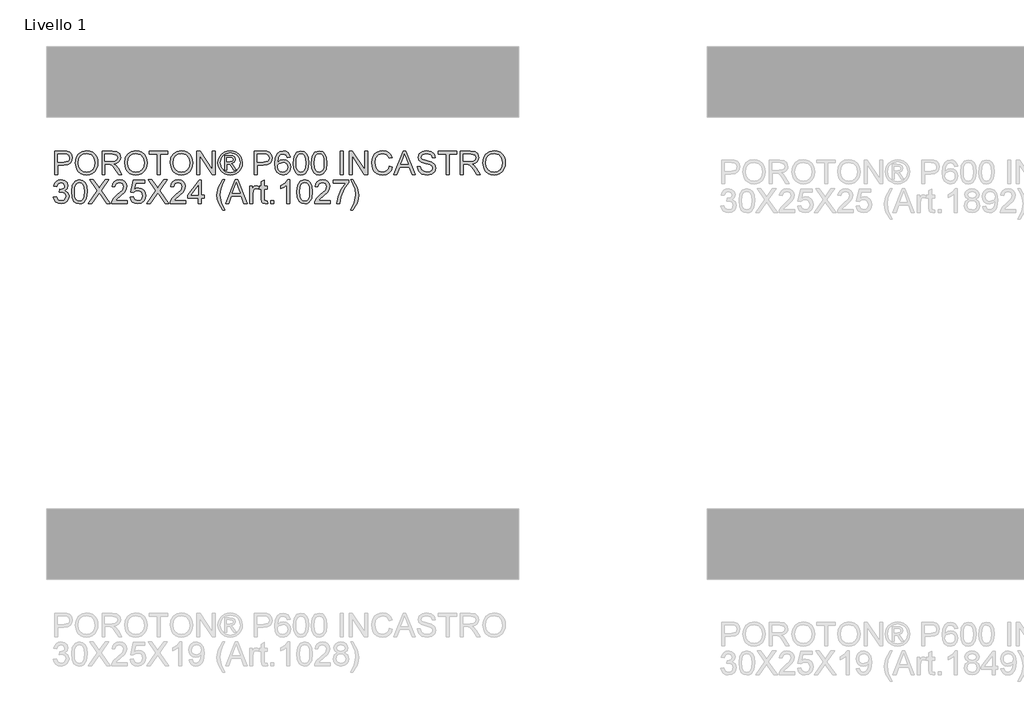
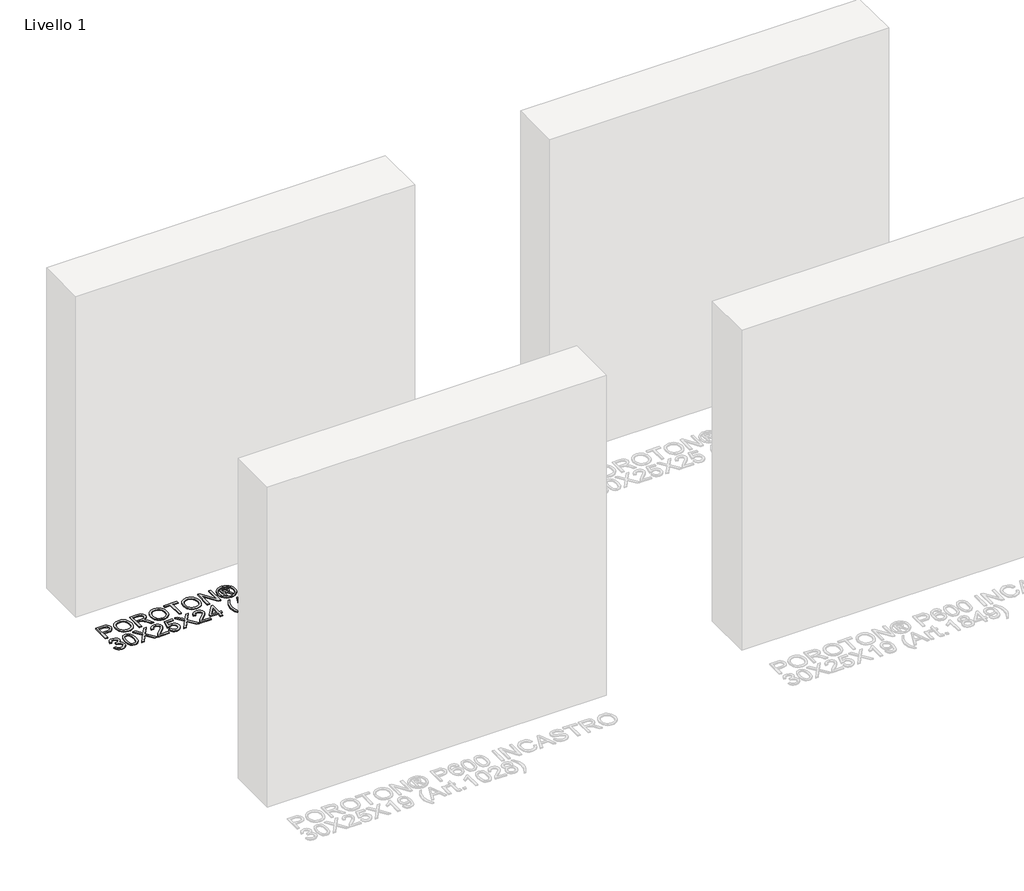
# One storey, part 6 of 11: 1 proxy.
"""IFC4 building model written with IfcOpenShell, lengths in millimetres."""

from ifc_helpers import new_model, si_unit, origin, origin_with_axes, place, context, project, spatial, polyline, outline, extrude, element, save

model = new_model("IFC4")

# Units and contexts
model_context = context("Model", 3, world=origin())
ifc_project = project(units=[si_unit("LENGTHUNIT", "METRE", prefix="MILLI")], contexts=[model_context])

# Site, building, storey
site = spatial("IfcSite", under=ifc_project)
building = spatial("IfcBuilding", under=site)
storey = spatial("IfcBuildingStorey", under=building, Name="Livello 1", Elevation=0.0)

# Proxy
placement = place(None, origin())
element("IfcBuildingElementProxy", 1, Name="100", ObjectType="100", at=placement, inside=storey, context=model_context, shape_type="SweptSolid", body=[
    extrude(outline(polyline([(-5050.2668329, 4441.1410953), (-5050.2668329, 4541.5974055), (-5013.0371749, 4541.5974055), (-4998.0275895, 4540.6409123), (-4985.82617, 4535.9442855), (-4977.9167071, 4526.2322008), (-4974.9246002, 4512.5347278), (-4976.9448855, 4500.695059), (-4983.0057414, 4490.8296901), (-4994.3395725, 4484.171026), (-5012.1787836, 4481.9514713), (-5037.7097941, 4481.9514713), (-5037.7097941, 4441.1410953), (-5050.2668329, 4441.1410953)]), holes=[polyline([(-5037.7097941, 4494.5085101), (-5011.4430196, 4494.5085101), (-4992.950818, 4499.1192977), (-4988.8489338, 4504.6681845), (-4987.481639, 4512.0932694), (-4990.7067378, 4522.4920672), (-4999.1802865, 4528.1819754), (-5011.7373252, 4529.0403667), (-5037.7097941, 4529.0403667), (-5037.7097941, 4494.5085101)])]), origin_with_axes(), (0.0, 0.0, 1.0), 5.0),
    extrude(outline(polyline([(-4962.3675615, 4490.0448752), (-4959.0198353, 4512.2588163), (-4948.9766568, 4529.0648922), (-4933.642109, 4539.6414995), (-4914.4202748, 4543.1670353), (-4901.243968, 4541.5115663), (-4889.4288246, 4536.5451594), (-4879.618638, 4528.6173024), (-4872.4572019, 4518.0774832), (-4868.0794061, 4505.4346053), (-4866.6201409, 4491.1975721), (-4868.1560482, 4476.7704665), (-4872.7637702, 4463.949779), (-4880.1888551, 4453.3915657), (-4890.1768513, 4445.751883), (-4901.8908271, 4441.1165698), (-4914.4938512, 4439.5714655), (-4927.8724931, 4441.2790511), (-4939.7550815, 4446.4018078), (-4949.5407426, 4454.4768176), (-4956.6286023, 4465.0411623), (-4962.3675615, 4490.0448752)]), holes=[polyline([(-4949.8105227, 4489.9222479), (-4947.2997281, 4474.2075553), (-4939.7673442, 4462.2329964), (-4928.4457758, 4454.6546273), (-4914.5674276, 4452.1285042), (-4900.4867442, 4454.6791527), (-4889.1467817, 4462.3310982), (-4881.6695801, 4474.6735392), (-4879.1771796, 4491.295674), (-4883.4446108, 4512.019693), (-4895.9158104, 4525.7416915), (-4914.3466984, 4530.6099965), (-4927.854099, 4528.2647488), (-4939.3381486, 4521.2290057), (-4947.1924292, 4508.7118208), (-4949.8105227, 4489.9222479)])]), origin_with_axes(), (0.0, 0.0, 1.0), 5.0),
    extrude(outline(polyline([(-4849.3542126, 4441.1410953), (-4849.3542126, 4541.5974055), (-4806.0667645, 4541.5974055), (-4785.9681448, 4538.8873414), (-4774.9807359, 4529.2978841), (-4770.8727202, 4514.1043577), (-4772.5741745, 4504.208332), (-4777.6785372, 4496.0045635), (-4786.3390925, 4489.9896929), (-4798.7091246, 4486.6603608), (-4791.5722138, 4481.2892837), (-4781.3941453, 4468.3643629), (-4764.6432518, 4441.1410953), (-4779.2359043, 4441.1410953), (-4792.3079778, 4461.9632162), (-4801.7502824, 4475.7465283), (-4808.384421, 4482.2580396), (-4814.3563721, 4484.6492726), (-4821.6404356, 4485.090731), (-4836.7971738, 4485.090731), (-4836.7971738, 4441.1410953), (-4849.3542126, 4441.1410953)]), holes=[polyline([(-4836.7971738, 4497.6477698), (-4808.6909894, 4497.6477698), (-4794.3558543, 4499.4258661), (-4786.2133994, 4505.1157743), (-4783.429759, 4513.6383738), (-4788.7395225, 4524.6993591), (-4805.5272042, 4529.0403667), (-4836.7971738, 4529.0403667), (-4836.7971738, 4497.6477698)])]), origin_with_axes(), (0.0, 0.0, 1.0), 5.0),
    extrude(outline(polyline([(-4753.6067919, 4490.0448752), (-4750.2590658, 4512.2588163), (-4740.2158873, 4529.0648922), (-4724.8813395, 4539.6414995), (-4705.6595052, 4543.1670353), (-4692.4831984, 4541.5115663), (-4680.668055, 4536.5451594), (-4670.8578685, 4528.6173024), (-4663.6964323, 4518.0774832), (-4659.3186366, 4505.4346053), (-4657.8593713, 4491.1975721), (-4659.3952787, 4476.7704665), (-4664.0030007, 4463.949779), (-4671.4280856, 4453.3915657), (-4681.4160818, 4445.751883), (-4693.1300576, 4441.1165698), (-4705.7330816, 4439.5714655), (-4719.1117235, 4441.2790511), (-4730.994312, 4446.4018078), (-4740.779973, 4454.4768176), (-4747.8678328, 4465.0411623), (-4753.6067919, 4490.0448752)]), holes=[polyline([(-4741.0497532, 4489.9222479), (-4738.5389586, 4474.2075553), (-4731.0065747, 4462.2329964), (-4719.6850063, 4454.6546273), (-4705.806658, 4452.1285042), (-4691.7259747, 4454.6791527), (-4680.3860122, 4462.3310982), (-4672.9088106, 4474.6735392), (-4670.4164101, 4491.295674), (-4674.6838412, 4512.019693), (-4687.1550409, 4525.7416915), (-4705.5859288, 4530.6099965), (-4719.0933294, 4528.2647488), (-4730.577379, 4521.2290057), (-4738.4316596, 4508.7118208), (-4741.0497532, 4489.9222479)])]), origin_with_axes(), (0.0, 0.0, 1.0), 5.0),
    extrude(outline(polyline([(-4615.4793655, 4441.1410953), (-4615.4793655, 4529.0403667), (-4648.4415923, 4529.0403667), (-4648.4415923, 4541.5974055), (-4569.9601, 4541.5974055), (-4569.9601, 4529.0403667), (-4602.9223267, 4529.0403667), (-4602.9223267, 4441.1410953), (-4615.4793655, 4441.1410953)])), origin_with_axes(), (0.0, 0.0, 1.0), 5.0),
    extrude(outline(polyline([(-4560.5423209, 4490.0448752), (-4557.1945947, 4512.2588163), (-4547.1514162, 4529.0648922), (-4531.8168684, 4539.6414995), (-4512.5950342, 4543.1670353), (-4499.4187274, 4541.5115663), (-4487.603584, 4536.5451594), (-4477.7933974, 4528.6173024), (-4470.6319613, 4518.0774832), (-4466.2541655, 4505.4346053), (-4464.7949003, 4491.1975721), (-4466.3308076, 4476.7704665), (-4470.9385296, 4463.949779), (-4478.3636145, 4453.3915657), (-4488.3516107, 4445.751883), (-4500.0655865, 4441.1165698), (-4512.6686106, 4439.5714655), (-4526.0472525, 4441.2790511), (-4537.9298409, 4446.4018078), (-4547.715502, 4454.4768176), (-4554.8033617, 4465.0411623), (-4560.5423209, 4490.0448752)]), holes=[polyline([(-4547.9852821, 4489.9222479), (-4545.4744875, 4474.2075553), (-4537.9421036, 4462.2329964), (-4526.6205352, 4454.6546273), (-4512.742187, 4452.1285042), (-4498.6615036, 4454.6791527), (-4487.3215411, 4462.3310982), (-4479.8443395, 4474.6735392), (-4477.351939, 4491.295674), (-4481.6193702, 4512.019693), (-4494.0905698, 4525.7416915), (-4512.5214578, 4530.6099965), (-4526.0288584, 4528.2647488), (-4537.512908, 4521.2290057), (-4545.3671886, 4508.7118208), (-4547.9852821, 4489.9222479)])]), origin_with_axes(), (0.0, 0.0, 1.0), 5.0),
    extrude(outline(polyline([(-4447.528972, 4441.1410953), (-4447.528972, 4541.5974055), (-4434.0890164, 4541.5974055), (-4381.6045184, 4462.0122672), (-4381.6045184, 4541.5974055), (-4369.0474797, 4541.5974055), (-4369.0474797, 4441.1410953), (-4382.4874352, 4441.1410953), (-4434.9719332, 4520.7507591), (-4434.9719332, 4441.1410953), (-4447.528972, 4441.1410953)])), origin_with_axes(), (0.0, 0.0, 1.0), 5.0),
    extrude(outline(polyline([(-4306.2377603, 4543.1670353), (-4293.3434964, 4541.4931722), (-4280.7558008, 4536.471583), (-4269.6978812, 4528.3352595), (-4261.3929451, 4517.3171938), (-4256.1966119, 4504.5946081), (-4254.4645009, 4491.3447249), (-4256.1720865, 4478.2113377), (-4261.2948433, 4465.5929853), (-4269.4986118, 4454.6147734), (-4280.4492325, 4446.4018078), (-4293.0583879, 4441.2790511), (-4306.2377603, 4439.5714655), (-4319.3987387, 4441.2790511), (-4332.0017627, 4446.4018078), (-4342.9615805, 4454.6147734), (-4351.1929402, 4465.5929853), (-4356.3432881, 4478.2113377), (-4358.0600707, 4491.3447249), (-4356.3187626, 4504.5946081), (-4351.0948383, 4517.3171938), (-4342.7623111, 4528.3352595), (-4331.6951944, 4536.471583), (-4319.1136302, 4541.4931722), (-4306.2377603, 4543.1670353)]), holes=[polyline([(-4306.2377603, 4533.7492562), (-4327.0598813, 4528.2678145), (-4336.0883186, 4521.6060847), (-4342.9155953, 4512.5837788), (-4348.6422917, 4491.3447249), (-4343.0259599, 4470.2896121), (-4327.3051359, 4454.6055763), (-4306.2377603, 4448.9892445), (-4285.158122, 4454.6055763), (-4269.4740863, 4470.2896121), (-4263.88228, 4491.3447249), (-4269.5721882, 4512.5837788), (-4276.3810707, 4521.6060847), (-4285.4279021, 4528.2678145), (-4306.2377603, 4533.7492562)])]), origin_with_axes(), (0.0, 0.0, 1.0), 5.0),
    extrude(outline(polyline([(-4329.8067335, 4459.9766535), (-4329.8067335, 4522.7618473), (-4309.5241728, 4522.7618473), (-4294.4655365, 4521.0328019), (-4287.0465829, 4514.9995372), (-4284.287468, 4505.8392755), (-4289.0454084, 4493.9198989), (-4301.6514981, 4488.2299907), (-4296.7464049, 4484.8945273), (-4288.1870171, 4472.362014), (-4281.1482083, 4459.9766535), (-4291.7432097, 4459.9766535), (-4297.2614397, 4469.9339928), (-4306.5075405, 4484.354967), (-4314.527368, 4486.6603608), (-4320.3889544, 4486.6603608), (-4320.3889544, 4459.9766535), (-4329.8067335, 4459.9766535)]), holes=[polyline([(-4320.3889544, 4496.0781399), (-4308.4695778, 4496.0781399), (-4296.8199813, 4498.4693729), (-4293.705247, 4504.8092059), (-4295.2013005, 4509.3709427), (-4299.358367, 4512.3630496), (-4309.2298672, 4513.3440682), (-4320.3889544, 4513.3440682), (-4320.3889544, 4496.0781399)])]), origin_with_axes(), (0.0, 0.0, 1.0), 5.0),
    extrude(outline(polyline([(-4204.2363458, 4441.1410953), (-4204.2363458, 4541.5974055), (-4167.0066879, 4541.5974055), (-4151.9971025, 4540.6409123), (-4139.795683, 4535.9442855), (-4131.8862201, 4526.2322008), (-4128.8941132, 4512.5347278), (-4130.9143985, 4500.695059), (-4136.9752544, 4490.8296901), (-4148.3090855, 4484.171026), (-4166.1482966, 4481.9514713), (-4191.679307, 4481.9514713), (-4191.679307, 4441.1410953), (-4204.2363458, 4441.1410953)]), holes=[polyline([(-4191.679307, 4494.5085101), (-4165.4125326, 4494.5085101), (-4146.920331, 4499.1192977), (-4142.8184467, 4504.6681845), (-4141.451152, 4512.0932694), (-4144.6762508, 4522.4920672), (-4153.1497994, 4528.1819754), (-4165.7068382, 4529.0403667), (-4191.679307, 4529.0403667), (-4191.679307, 4494.5085101)])]), origin_with_axes(), (0.0, 0.0, 1.0), 5.0),
    extrude(outline(polyline([(-4051.9822507, 4514.9136981), (-4064.5392895, 4513.3440682), (-4069.29723, 4523.8164424), (-4081.8787942, 4529.0403667), (-4093.2095597, 4525.9992089), (-4101.7812102, 4514.5826043), (-4105.3496655, 4492.2031162), (-4094.2764175, 4502.2217692), (-4080.554419, 4505.495919), (-4068.9538735, 4503.2579702), (-4059.2172633, 4496.5441238), (-4052.6137815, 4486.2863475), (-4050.4126209, 4473.416609), (-4054.5574247, 4456.089367), (-4065.9617666, 4443.8266339), (-4082.4183545, 4439.5714655), (-4096.6645847, 4442.3918941), (-4108.0106786, 4450.85318), (-4115.4326979, 4465.789189), (-4117.9067043, 4488.033787), (-4115.159852, 4513.0436313), (-4106.9192954, 4530.1440127), (-4095.6682377, 4538.7340573), (-4081.0939793, 4541.5974055), (-4070.0759135, 4539.8254405), (-4061.252877, 4534.5095457), (-4055.0724595, 4526.0666539), (-4051.9822507, 4514.9136981)]), holes=[polyline([(-4105.3496655, 4473.6128127), (-4102.4433977, 4462.7357684), (-4094.7178758, 4454.8385683), (-4083.3993731, 4452.1285042), (-4075.1128312, 4453.5325872), (-4068.5982542, 4457.744836), (-4064.3768083, 4464.3667119), (-4062.9696597, 4472.9996761), (-4064.3584142, 4481.286218), (-4068.5246778, 4487.6045913), (-4075.1496194, 4491.605308), (-4083.9144079, 4492.9388802), (-4099.1079343, 4487.6045913), (-4103.7892327, 4481.4395022), (-4105.3496655, 4473.6128127)])]), origin_with_axes(), (0.0, 0.0, 1.0), 5.0),
    extrude(outline(polyline([(-4039.425212, 4490.55991), (-4035.7341293, 4519.4631721), (-4024.7712458, 4536.1282265), (-4006.4629852, 4541.5974055), (-3991.7967563, 4538.3600439), (-3981.6677387, 4529.028104), (-3975.7816268, 4514.1656713), (-3973.5007584, 4490.55991), (-3977.1550529, 4461.7792752), (-3988.0811482, 4445.0774327), (-3996.3125078, 4440.9479573), (-4006.4629852, 4439.5714655), (-4019.5105333, 4441.9626984), (-4029.4188217, 4449.1363973), (-4036.9236144, 4466.1264141), (-4039.425212, 4490.55991)]), holes=[polyline([(-4026.8681732, 4490.5844355), (-4025.3966452, 4470.832238), (-4020.9820613, 4459.400305), (-4014.4092363, 4453.9464544), (-4006.4629852, 4452.1285042), (-3998.5167341, 4453.9525858), (-3991.9439091, 4459.4248305), (-3987.5293252, 4470.8628948), (-3986.0577972, 4490.5844355), (-3987.4802743, 4509.8921088), (-3991.7477054, 4521.4129467), (-3998.3082676, 4527.1335117), (-4006.610138, 4529.0403667), (-4014.47055, 4527.3603722), (-4020.7858576, 4522.3203889), (-4025.3475943, 4510.0821812), (-4026.8681732, 4490.5844355)])]), origin_with_axes(), (0.0, 0.0, 1.0), 5.0),
    extrude(outline(polyline([(-3962.5133495, 4490.55991), (-3958.8222668, 4519.4631721), (-3947.8593834, 4536.1282265), (-3929.5511227, 4541.5974055), (-3914.8848939, 4538.3600439), (-3904.7558763, 4529.028104), (-3898.8697643, 4514.1656713), (-3896.588896, 4490.55991), (-3900.2431905, 4461.7792752), (-3911.1692857, 4445.0774327), (-3919.4006454, 4440.9479573), (-3929.5511227, 4439.5714655), (-3942.5986708, 4441.9626984), (-3952.5069592, 4449.1363973), (-3960.0117519, 4466.1264141), (-3962.5133495, 4490.55991)]), holes=[polyline([(-3949.9563107, 4490.5844355), (-3948.4847828, 4470.832238), (-3944.0701988, 4459.400305), (-3937.4973738, 4453.9464544), (-3929.5511227, 4452.1285042), (-3921.6048717, 4453.9525858), (-3915.0320467, 4459.4248305), (-3910.6174627, 4470.8628948), (-3909.1459347, 4490.5844355), (-3910.5684118, 4509.8921088), (-3914.8358429, 4521.4129467), (-3921.3964052, 4527.1335117), (-3929.6982755, 4529.0403667), (-3937.5586875, 4527.3603722), (-3943.8739951, 4522.3203889), (-3948.4357318, 4510.0821812), (-3949.9563107, 4490.5844355)])]), origin_with_axes(), (0.0, 0.0, 1.0), 5.0),
    extrude(outline(polyline([(-3840.0822215, 4441.1410953), (-3840.0822215, 4541.5974055), (-3827.5251828, 4541.5974055), (-3827.5251828, 4441.1410953), (-3840.0822215, 4441.1410953)])), origin_with_axes(), (0.0, 0.0, 1.0), 5.0),
    extrude(outline(polyline([(-3802.4111052, 4441.1410953), (-3802.4111052, 4541.5974055), (-3788.9711497, 4541.5974055), (-3736.4866517, 4462.0122672), (-3736.4866517, 4541.5974055), (-3723.9296129, 4541.5974055), (-3723.9296129, 4441.1410953), (-3737.3695685, 4441.1410953), (-3789.8540664, 4520.7507591), (-3789.8540664, 4441.1410953), (-3802.4111052, 4441.1410953)])), origin_with_axes(), (0.0, 0.0, 1.0), 5.0),
    extrude(outline(polyline([(-3631.321452, 4476.8501743), (-3618.7644132, 4473.6128127), (-3624.5585546, 4458.9803064), (-3633.6513713, 4448.2902687), (-3645.5952734, 4441.7511663), (-3659.9426712, 4439.5714655), (-3674.5077325, 4441.2208031), (-3686.0745556, 4446.1688159), (-3694.9405117, 4454.2438257), (-3701.4029721, 4465.2741542), (-3706.6636846, 4492.1295398), (-3705.1768282, 4506.7773746), (-3700.716259, 4519.4263839), (-3693.514969, 4529.6749631), (-3683.80595, 4537.1215078), (-3672.2912435, 4541.6556534), (-3659.6728911, 4543.1670353), (-3645.9049074, 4541.2111294), (-3634.5220253, 4535.3434115), (-3625.8798641, 4525.9256325), (-3620.3340431, 4513.3195428), (-3632.8910818, 4510.3274359), (-3643.1917777, 4525.7662169), (-3660.1634004, 4530.6099965), (-3679.808299, 4525.2389194), (-3690.9060725, 4510.8179452), (-3694.1066458, 4492.1540653), (-3690.3174613, 4470.522604), (-3678.520712, 4456.7025037), (-3661.19347, 4452.1285042), (-3650.7118988, 4453.6858713), (-3641.9777671, 4458.3579727), (-3635.3834824, 4466.0957573), (-3631.321452, 4476.8501743)])), origin_with_axes(), (0.0, 0.0, 1.0), 5.0),
    extrude(outline(polyline([(-3613.1971324, 4441.1410953), (-3573.0979949, 4541.5974055), (-3562.4048916, 4541.5974055), (-3522.3057541, 4441.1410953), (-3535.5740314, 4441.1410953), (-3547.0764751, 4472.5336922), (-3588.4509368, 4472.5336922), (-3599.9288551, 4441.1410953), (-3613.1971324, 4441.1410953)]), holes=[polyline([(-3583.8401491, 4485.090731), (-3551.6627373, 4485.090731), (-3560.7126344, 4509.7878756), (-3567.7514432, 4529.0403667), (-3574.0054371, 4511.9461166), (-3583.8401491, 4485.090731)])]), origin_with_axes(), (0.0, 0.0, 1.0), 5.0),
    extrude(outline(polyline([(-3513.5992135, 4475.6729519), (-3501.0421748, 4475.6729519), (-3496.9954728, 4463.1036504), (-3487.1117099, 4455.1573993), (-3472.0530735, 4452.1285042), (-3458.931949, 4454.4216353), (-3450.4584004, 4460.7246802), (-3447.67476, 4469.1491779), (-3449.7594246, 4476.9850644), (-3458.2942869, 4482.6872353), (-3476.5780221, 4487.481964), (-3496.2597088, 4493.6746442), (-3506.9405494, 4503.0188469), (-3510.4599538, 4515.5023093), (-3506.1066836, 4529.714817), (-3493.3902293, 4539.7457327), (-3474.7754003, 4543.1670353), (-3454.9097726, 4539.5863172), (-3441.6660207, 4529.0648922), (-3436.6873511, 4513.3440682), (-3449.2443898, 4513.3440682), (-3451.5497837, 4520.8365982), (-3456.3567751, 4526.2444635), (-3474.284891, 4530.6099965), (-3492.2620578, 4526.2935145), (-3497.9029151, 4515.8701913), (-3493.9052641, 4507.1636507), (-3473.4019742, 4500.1493673), (-3451.1819017, 4493.8463225), (-3439.0295331, 4483.6682539), (-3435.1177212, 4469.4680089), (-3439.6181443, 4454.4461608), (-3452.5675905, 4443.4832773), (-3471.5625642, 4439.5714655), (-3493.9911032, 4443.7898457), (-3508.1790855, 4456.4940372), (-3513.5992135, 4475.6729519)])), origin_with_axes(), (0.0, 0.0, 1.0), 5.0),
    extrude(outline(polyline([(-3391.1680855, 4441.1410953), (-3391.1680855, 4529.0403667), (-3424.1303123, 4529.0403667), (-3424.1303123, 4541.5974055), (-3345.64882, 4541.5974055), (-3345.64882, 4529.0403667), (-3378.6110468, 4529.0403667), (-3378.6110468, 4441.1410953), (-3391.1680855, 4441.1410953)])), origin_with_axes(), (0.0, 0.0, 1.0), 5.0),
    extrude(outline(polyline([(-3331.5221514, 4441.1410953), (-3331.5221514, 4541.5974055), (-3288.2347033, 4541.5974055), (-3268.1360836, 4538.8873414), (-3257.1486747, 4529.2978841), (-3253.0406591, 4514.1043577), (-3254.7421133, 4504.208332), (-3259.846476, 4496.0045635), (-3268.5070313, 4489.9896929), (-3280.8770634, 4486.6603608), (-3273.7401527, 4481.2892837), (-3263.5620841, 4468.3643629), (-3246.8111906, 4441.1410953), (-3261.4038431, 4441.1410953), (-3274.4759167, 4461.9632162), (-3283.9182212, 4475.7465283), (-3290.5523599, 4482.2580396), (-3296.5243109, 4484.6492726), (-3303.8083744, 4485.090731), (-3318.9651126, 4485.090731), (-3318.9651126, 4441.1410953), (-3331.5221514, 4441.1410953)]), holes=[polyline([(-3318.9651126, 4497.6477698), (-3290.8589282, 4497.6477698), (-3276.5237931, 4499.4258661), (-3268.3813383, 4505.1157743), (-3265.5976979, 4513.6383738), (-3270.9074613, 4524.6993591), (-3287.695143, 4529.0403667), (-3318.9651126, 4529.0403667), (-3318.9651126, 4497.6477698)])]), origin_with_axes(), (0.0, 0.0, 1.0), 5.0),
    extrude(outline(polyline([(-3235.7747308, 4490.0448752), (-3232.4270046, 4512.2588163), (-3222.3838262, 4529.0648922), (-3207.0492783, 4539.6414995), (-3187.8274441, 4543.1670353), (-3174.6511373, 4541.5115663), (-3162.8359939, 4536.5451594), (-3153.0258073, 4528.6173024), (-3145.8643712, 4518.0774832), (-3141.4865754, 4505.4346053), (-3140.0273102, 4491.1975721), (-3141.5632175, 4476.7704665), (-3146.1709395, 4463.949779), (-3153.5960244, 4453.3915657), (-3163.5840206, 4445.751883), (-3175.2979965, 4441.1165698), (-3187.9010205, 4439.5714655), (-3201.2796624, 4441.2790511), (-3213.1622508, 4446.4018078), (-3222.9479119, 4454.4768176), (-3230.0357717, 4465.0411623), (-3235.7747308, 4490.0448752)]), holes=[polyline([(-3223.217692, 4489.9222479), (-3220.7068974, 4474.2075553), (-3213.1745135, 4462.2329964), (-3201.8529451, 4454.6546273), (-3187.9745969, 4452.1285042), (-3173.8939135, 4454.6791527), (-3162.553951, 4462.3310982), (-3155.0767495, 4474.6735392), (-3152.5843489, 4491.295674), (-3156.8517801, 4512.019693), (-3169.3229797, 4525.7416915), (-3187.7538677, 4530.6099965), (-3201.2612683, 4528.2647488), (-3212.7453179, 4521.2290057), (-3220.5995985, 4508.7118208), (-3223.217692, 4489.9222479)])]), origin_with_axes(), (0.0, 0.0, 1.0), 5.0),
    extrude(outline(polyline([(-5054.9757224, 4345.8499848), (-5042.4186836, 4347.4196147), (-5035.4902394, 4334.2003883), (-5022.5285304, 4330.1536864), (-5013.9200917, 4331.5455066), (-5007.2736903, 4335.7209672), (-5001.6083076, 4349.5042793), (-5007.2246394, 4362.4905138), (-5021.4984608, 4367.628599), (-5030.3031032, 4366.2551728), (-5028.9051517, 4378.8122116), (-5026.8940634, 4378.6650588), (-5012.6447675, 4382.2703024), (-5007.8990897, 4386.8443018), (-5006.3171972, 4393.3558132), (-5010.9034594, 4403.1782624), (-5022.7247341, 4407.0655488), (-5034.6931617, 4403.1414742), (-5040.8490538, 4391.3692504), (-5053.4060925, 4392.9388802), (-5049.7088785, 4404.2144634), (-5043.1299221, 4412.6328297), (-5034.129076, 4417.8751481), (-5023.1661925, 4419.6225876), (-5008.0217171, 4416.1767596), (-4997.4267156, 4406.7589805), (-4993.7601584, 4394.0915771), (-4997.2427746, 4382.515557), (-5007.5434705, 4374.2014239), (-4993.8582603, 4365.6175107), (-4989.0512689, 4349.2835501), (-4991.4547646, 4337.0453424), (-4998.6652517, 4326.818223), (-5009.5484274, 4319.9020415), (-5022.9699888, 4317.5966476), (-5035.1100947, 4319.5648163), (-5044.9938576, 4325.4693223), (-5051.8671195, 4334.5008253), (-5054.9757224, 4345.8499848)])), origin_with_axes(), (0.0, 0.0, 1.0), 5.0),
    extrude(outline(polyline([(-4978.0638599, 4368.5850921), (-4974.3727772, 4397.4883542), (-4963.4098938, 4414.1534086), (-4945.1016332, 4419.6225876), (-4930.4354043, 4416.3852261), (-4920.3063867, 4407.0532861), (-4914.4202748, 4392.1908535), (-4912.1394064, 4368.5850921), (-4915.7937009, 4339.8044574), (-4926.7197961, 4323.1026148), (-4934.9511558, 4318.9731394), (-4945.1016332, 4317.5966476), (-4958.1491813, 4319.9878806), (-4968.0574697, 4327.1615795), (-4975.5622624, 4344.1515963), (-4978.0638599, 4368.5850921)]), holes=[polyline([(-4965.5068212, 4368.6096176), (-4964.0352932, 4348.8574202), (-4959.6207092, 4337.4254872), (-4953.0478843, 4331.9716366), (-4945.1016332, 4330.1536864), (-4937.1553821, 4331.9777679), (-4930.5825571, 4337.4500126), (-4926.1679731, 4348.888077), (-4924.6964452, 4368.6096176), (-4926.1189222, 4387.917291), (-4930.3863534, 4399.4381288), (-4936.9469156, 4405.1586938), (-4945.248786, 4407.0655488), (-4953.1091979, 4405.3855544), (-4959.4245055, 4400.3455711), (-4963.9862423, 4388.1073634), (-4965.5068212, 4368.6096176)])]), origin_with_axes(), (0.0, 0.0, 1.0), 5.0),
    extrude(outline(polyline([(-4907.4305169, 4319.1662775), (-4868.7048055, 4373.9071183), (-4901.1519975, 4419.6225876), (-4886.0933611, 4419.6225876), (-4867.8218887, 4393.8953734), (-4861.6659967, 4383.8644577), (-4854.4555096, 4394.0670517), (-4836.3802409, 4419.6225876), (-4821.1008753, 4419.6225876), (-4853.5480673, 4373.7599655), (-4814.8223559, 4319.1662775), (-4829.8809923, 4319.1662775), (-4855.6817829, 4355.5620695), (-4861.05286, 4363.1159132), (-4866.9634974, 4354.8263055), (-4892.1511513, 4319.1662775), (-4907.4305169, 4319.1662775)])), origin_with_axes(), (0.0, 0.0, 1.0), 5.0),
    extrude(outline(polyline([(-4742.619383, 4331.7233162), (-4742.619383, 4319.1662775), (-4808.5438366, 4319.1662775), (-4807.1949359, 4327.8237671), (-4799.5675159, 4341.153358), (-4783.8466919, 4355.7092223), (-4762.1661797, 4376.6294451), (-4756.7460516, 4390.8542156), (-4761.8596114, 4402.368922), (-4775.2137278, 4407.0655488), (-4789.1319299, 4402.4792866), (-4794.4171679, 4389.7996205), (-4806.9742067, 4391.3692504), (-4803.9299832, 4403.5154876), (-4797.3479612, 4412.387575), (-4787.5714971, 4417.8138345), (-4774.9439477, 4419.6225876), (-4762.2244277, 4417.6114994), (-4752.4663578, 4411.5782346), (-4746.2583491, 4402.5651258), (-4744.1890129, 4391.614505), (-4746.4208303, 4379.7073911), (-4753.8397839, 4367.395607), (-4771.8292134, 4350.1909924), (-4786.2747131, 4338.1122002), (-4791.9400958, 4331.7233162), (-4742.619383, 4331.7233162)])), origin_with_axes(), (0.0, 0.0, 1.0), 5.0),
    extrude(outline(polyline([(-4730.0623443, 4345.8499848), (-4717.5053055, 4347.4196147), (-4711.1777352, 4334.4824312), (-4698.0566107, 4330.1536864), (-4689.0557645, 4331.6589369), (-4682.3112613, 4336.1746884), (-4678.0990124, 4343.1797747), (-4676.6949295, 4352.1530297), (-4681.955642, 4367.0645132), (-4688.5621895, 4371.1663975), (-4697.8604069, 4372.5336922), (-4708.8846041, 4370.3509257), (-4715.9356756, 4364.685543), (-4728.4927144, 4366.2551728), (-4717.5053055, 4418.0529578), (-4668.8467803, 4418.0529578), (-4668.8467803, 4405.495919), (-4707.3517624, 4405.495919), (-4712.7228395, 4377.831193), (-4703.7526502, 4383.2758465), (-4694.3532653, 4385.090731), (-4682.6208953, 4382.8405195), (-4672.8812195, 4376.0898848), (-4666.3237229, 4365.8014517), (-4664.1378907, 4352.9378446), (-4666.1060594, 4340.3808058), (-4672.0105654, 4329.6386516), (-4683.3168054, 4320.6071486), (-4698.1056616, 4317.5966476), (-4710.4389055, 4319.5310938), (-4720.2644204, 4325.3344322), (-4726.9997266, 4334.3322127), (-4730.0623443, 4345.8499848)])), origin_with_axes(), (0.0, 0.0, 1.0), 5.0),
    extrude(outline(polyline([(-4659.4290012, 4319.1662775), (-4620.7032898, 4373.9071183), (-4653.1504818, 4419.6225876), (-4638.0918455, 4419.6225876), (-4619.820373, 4393.8953734), (-4613.664481, 4383.8644577), (-4606.4539939, 4394.0670517), (-4588.3787252, 4419.6225876), (-4573.0993596, 4419.6225876), (-4605.5465516, 4373.7599655), (-4566.8208403, 4319.1662775), (-4581.8794766, 4319.1662775), (-4607.6802672, 4355.5620695), (-4613.0513443, 4363.1159132), (-4618.9619817, 4354.8263055), (-4644.1496356, 4319.1662775), (-4659.4290012, 4319.1662775)])), origin_with_axes(), (0.0, 0.0, 1.0), 5.0),
    extrude(outline(polyline([(-4494.6178673, 4331.7233162), (-4494.6178673, 4319.1662775), (-4560.5423209, 4319.1662775), (-4559.1934202, 4327.8237671), (-4551.5660002, 4341.153358), (-4535.8451763, 4355.7092223), (-4514.164664, 4376.6294451), (-4508.744536, 4390.8542156), (-4513.8580957, 4402.368922), (-4527.2122121, 4407.0655488), (-4541.1304143, 4402.4792866), (-4546.4156523, 4389.7996205), (-4558.972691, 4391.3692504), (-4555.9284675, 4403.5154876), (-4549.3464455, 4412.387575), (-4539.5699815, 4417.8138345), (-4526.942432, 4419.6225876), (-4514.222912, 4417.6114994), (-4504.4648421, 4411.5782346), (-4498.2568334, 4402.5651258), (-4496.1874972, 4391.614505), (-4498.4193146, 4379.7073911), (-4505.8382682, 4367.395607), (-4523.8276978, 4350.1909924), (-4538.2731974, 4338.1122002), (-4543.9385802, 4331.7233162), (-4494.6178673, 4331.7233162)])), origin_with_axes(), (0.0, 0.0, 1.0), 5.0),
    extrude(outline(polyline([(-4441.2504526, 4319.1662775), (-4441.2504526, 4342.7107252), (-4486.7697181, 4342.7107252), (-4486.7697181, 4355.2677639), (-4438.1111929, 4418.0529578), (-4428.6934138, 4418.0529578), (-4428.6934138, 4355.2677639), (-4416.136375, 4355.2677639), (-4416.136375, 4342.7107252), (-4428.6934138, 4342.7107252), (-4428.6934138, 4319.1662775), (-4441.2504526, 4319.1662775)]), holes=[polyline([(-4441.2504526, 4355.2677639), (-4441.2504526, 4394.0670517), (-4471.3186743, 4355.2677639), (-4441.2504526, 4355.2677639)])]), origin_with_axes(), (0.0, 0.0, 1.0), 5.0),
    extrude(outline(polyline([(-4337.6548827, 4290.9129402), (-4355.4848968, 4320.3680253), (-4360.9479444, 4337.5481145), (-4362.7689603, 4355.3413403), (-4357.3243067, 4385.8755459), (-4337.6548827, 4419.6225876), (-4328.2371037, 4419.6225876), (-4339.984802, 4399.7324344), (-4347.0481363, 4380.4554179), (-4350.2119215, 4355.2677639), (-4344.718217, 4323.0780893), (-4328.2371037, 4290.9129402), (-4337.6548827, 4290.9129402)])), origin_with_axes(), (0.0, 0.0, 1.0), 5.0),
    extrude(outline(polyline([(-4325.8090825, 4319.1662775), (-4285.709945, 4419.6225876), (-4275.0168417, 4419.6225876), (-4234.9177042, 4319.1662775), (-4248.1859815, 4319.1662775), (-4259.6884252, 4350.5588744), (-4301.0628869, 4350.5588744), (-4312.5408052, 4319.1662775), (-4325.8090825, 4319.1662775)]), holes=[polyline([(-4296.4520993, 4363.1159132), (-4264.2746874, 4363.1159132), (-4273.3245845, 4387.8130578), (-4280.3633933, 4407.0655488), (-4286.6173873, 4389.9712988), (-4296.4520993, 4363.1159132)])]), origin_with_axes(), (0.0, 0.0, 1.0), 5.0),
    extrude(outline(polyline([(-4223.071904, 4319.1662775), (-4223.071904, 4392.9388802), (-4212.084495, 4392.9388802), (-4212.084495, 4382.0250477), (-4204.2853967, 4392.0804889), (-4196.4372475, 4394.5085101), (-4183.8311578, 4390.6334864), (-4188.0250126, 4379.3762973), (-4196.8541804, 4381.9514713), (-4203.9543029, 4379.4743992), (-4208.4792515, 4372.6072686), (-4210.5148652, 4357.9410398), (-4210.5148652, 4319.1662775), (-4223.071904, 4319.1662775)])), origin_with_axes(), (0.0, 0.0, 1.0), 5.0),
    extrude(outline(polyline([(-4149.2993012, 4329.6386516), (-4147.7296714, 4318.7983955), (-4157.122925, 4317.5966476), (-4167.64435, 4319.6813123), (-4172.8927998, 4325.1504912), (-4174.4133787, 4339.3997872), (-4174.4133787, 4380.3818415), (-4183.8311578, 4380.3818415), (-4183.8311578, 4392.9388802), (-4174.4133787, 4392.9388802), (-4174.4133787, 4410.8669961), (-4161.85634, 4418.2491615), (-4161.85634, 4392.9388802), (-4149.2993012, 4392.9388802), (-4149.2993012, 4380.3818415), (-4161.85634, 4380.3818415), (-4161.85634, 4339.7676692), (-4161.1941524, 4333.2929461), (-4159.0481741, 4330.999815), (-4154.7684802, 4330.1536864), (-4149.2993012, 4329.6386516)])), origin_with_axes(), (0.0, 0.0, 1.0), 5.0),
    extrude(outline(polyline([(-4133.6030027, 4319.1662775), (-4133.6030027, 4331.7233162), (-4121.045964, 4331.7233162), (-4121.045964, 4319.1662775), (-4133.6030027, 4319.1662775)])), origin_with_axes(), (0.0, 0.0, 1.0), 5.0),
    extrude(outline(polyline([(-4053.5518806, 4319.1662775), (-4066.1089194, 4319.1662775), (-4066.1089194, 4397.451566), (-4078.0037705, 4388.9780174), (-4091.2229969, 4382.6381844), (-4091.2229969, 4394.5085101), (-4072.8166344, 4406.2562085), (-4061.6452845, 4419.6225876), (-4053.5518806, 4419.6225876), (-4053.5518806, 4319.1662775)])), origin_with_axes(), (0.0, 0.0, 1.0), 5.0),
    extrude(outline(polyline([(-4023.7289135, 4368.5850921), (-4020.0378308, 4397.4883542), (-4009.0749474, 4414.1534086), (-3990.7666867, 4419.6225876), (-3976.1004579, 4416.3852261), (-3965.9714403, 4407.0532861), (-3960.0853283, 4392.1908535), (-3957.80446, 4368.5850921), (-3961.4587545, 4339.8044574), (-3972.3848497, 4323.1026148), (-3980.6162094, 4318.9731394), (-3990.7666867, 4317.5966476), (-4003.8142348, 4319.9878806), (-4013.7225232, 4327.1615795), (-4021.2273159, 4344.1515963), (-4023.7289135, 4368.5850921)]), holes=[polyline([(-4011.1718747, 4368.6096176), (-4009.7003468, 4348.8574202), (-4005.2857628, 4337.4254872), (-3998.7129378, 4331.9716366), (-3990.7666867, 4330.1536864), (-3982.8204356, 4331.9777679), (-3976.2476107, 4337.4500126), (-3971.8330267, 4348.888077), (-3970.3614987, 4368.6096176), (-3971.7839758, 4387.917291), (-3976.0514069, 4399.4381288), (-3982.6119692, 4405.1586938), (-3990.9138395, 4407.0655488), (-3998.7742515, 4405.3855544), (-4005.0895591, 4400.3455711), (-4009.6512958, 4388.1073634), (-4011.1718747, 4368.6096176)])]), origin_with_axes(), (0.0, 0.0, 1.0), 5.0),
    extrude(outline(polyline([(-3882.4622274, 4331.7233162), (-3882.4622274, 4319.1662775), (-3948.3866809, 4319.1662775), (-3947.0377803, 4327.8237671), (-3939.4103602, 4341.153358), (-3923.6895363, 4355.7092223), (-3902.009024, 4376.6294451), (-3896.588896, 4390.8542156), (-3901.7024557, 4402.368922), (-3915.0565721, 4407.0655488), (-3928.9747743, 4402.4792866), (-3934.2600123, 4389.7996205), (-3946.8170511, 4391.3692504), (-3943.7728275, 4403.5154876), (-3937.1908055, 4412.387575), (-3927.4143415, 4417.8138345), (-3914.786792, 4419.6225876), (-3902.067272, 4417.6114994), (-3892.3092021, 4411.5782346), (-3886.1011934, 4402.5651258), (-3884.0318572, 4391.614505), (-3886.2636746, 4379.7073911), (-3893.6826282, 4367.395607), (-3911.6720578, 4350.1909924), (-3926.1175575, 4338.1122002), (-3931.7829402, 4331.7233162), (-3882.4622274, 4331.7233162)])), origin_with_axes(), (0.0, 0.0, 1.0), 5.0),
    extrude(outline(polyline([(-3869.9051886, 4405.495919), (-3869.9051886, 4418.0529578), (-3803.9807351, 4418.0529578), (-3803.9807351, 4407.8994147), (-3822.6814031, 4380.8846135), (-3836.9920128, 4346.4631215), (-3841.6518514, 4319.1662775), (-3854.2088901, 4319.1662775), (-3849.2179577, 4347.4931911), (-3835.5204848, 4379.5111874), (-3816.5377738, 4405.495919), (-3869.9051886, 4405.495919)])), origin_with_axes(), (0.0, 0.0, 1.0), 5.0),
    extrude(outline(polyline([(-3786.7148068, 4290.9129402), (-3796.1325858, 4290.9129402), (-3779.6514724, 4323.0780893), (-3774.157768, 4355.2677639), (-3777.3215531, 4380.2346887), (-3784.3113111, 4399.5362307), (-3796.1325858, 4419.6225876), (-3786.7148068, 4419.6225876), (-3767.0453827, 4385.8755459), (-3761.6007292, 4355.3413403), (-3763.4309421, 4337.5481145), (-3768.9215809, 4320.3680253), (-3786.7148068, 4290.9129402)])), origin_with_axes(), (0.0, 0.0, 1.0), 5.0),
])

save(model, "model.ifc")
